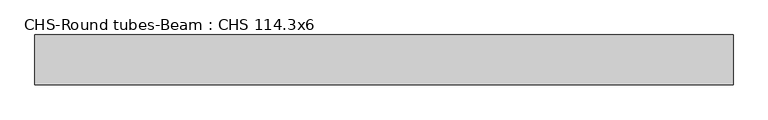
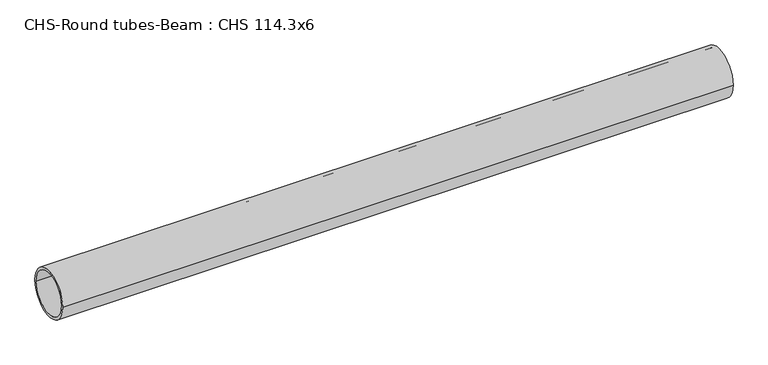
"""IFC4 building model written with IfcOpenShell, lengths in millimetres: beam geometry, CHS-Round tubes-Beam : CHS 114.3x6."""

from ifc_helpers import new_model, si_unit, point, frame, origin, origin_2d, place, context, project, spatial, circle_curve, trimmed, segment, composite_curve, outline, extrude, source, transform, mapped, element, save


def chs_round_tubes_beam_chs_114_3x6_7327f774(model_context):
    return source(origin(), model_context, "Body", "SweptSolid", [
        extrude(outline(composite_curve([segment(trimmed(circle_curve(origin_2d(), 57.15), [point((57.15, 0.0))], [point((-57.15, 0.0))], False, "CARTESIAN"), True, "CONTINUOUS"), segment(trimmed(circle_curve(origin_2d(), 57.15), [point((-57.15, 0.0))], [point((57.15, 0.0))], False, "CARTESIAN"), True, "CONTINUOUS")], self_intersect=False), holes=[composite_curve([segment(trimmed(circle_curve(origin_2d(), 51.15), [point((51.15, 0.0))], [point((-51.15, 0.0))], True, "CARTESIAN"), True, "CONTINUOUS"), segment(trimmed(circle_curve(origin_2d(), 51.15), [point((-51.15, 0.0))], [point((51.15, 0.0))], True, "CARTESIAN"), True, "CONTINUOUS")], self_intersect=False)]), frame((-789.9829699, 0.0, 0.0), z_axis=(1.0, 0.0, 0.0), x_axis=(0.0, 1.0, 0.0)), (0.0, 0.0, 1.0), 1593.7225112),
    ])


if __name__ == "__main__":
    model = new_model("IFC4")
    model_context = context("Model", 3, world=origin())
    ifc_project = project(units=[si_unit("LENGTHUNIT", "METRE", prefix="MILLI")], contexts=[model_context])
    site = spatial("IfcSite", under=ifc_project)
    building = spatial("IfcBuilding", under=site)
    placement = place(None, origin())
    chs_round_tubes_beam_chs_114_3x6_shape = chs_round_tubes_beam_chs_114_3x6_7327f774(model_context)
    element("IfcBeam", 1, ObjectType="CHS-Round tubes-Beam : CHS 114.3x6", at=placement, inside=building, context=model_context, shape_type="MappedRepresentation", body=[
        mapped(chs_round_tubes_beam_chs_114_3x6_shape, transform((0.0, 0.0, 0.0), x_axis=(1.0, 0.0, 0.0), y_axis=(0.0, 1.0, 0.0), z_axis=(0.0, 0.0, 1.0))),
    ])
    save(model, "model.ifc")
